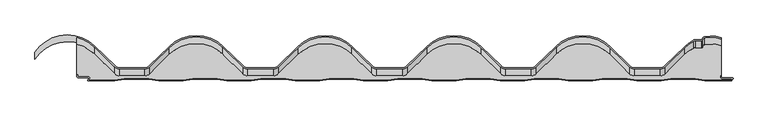
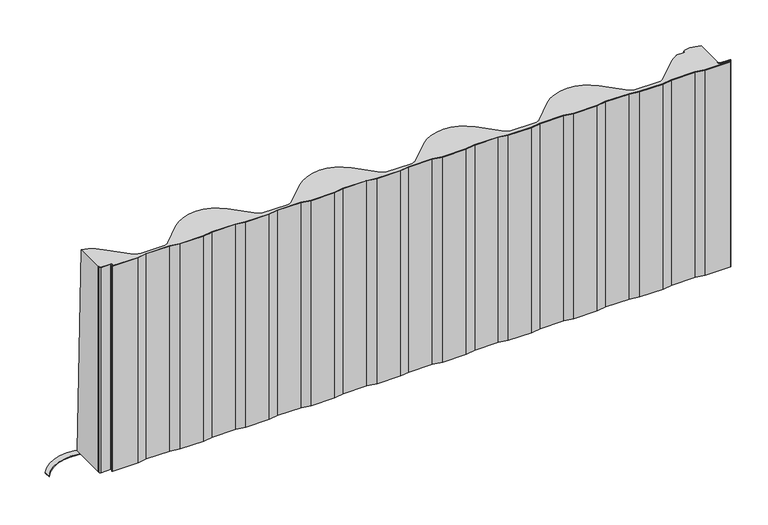
"""IFC4 building model written with IfcOpenShell, lengths in millimetres: proxy geometry."""

from ifc_helpers import new_model, si_unit, point, frame, frame_2d, origin, origin_with_axes, place, context, project, spatial, polyline, circle_curve, trimmed, segment, composite_curve, outline, extrude, source, transform, mapped, element, save
from ifc_brep_helpers import plane_surface, cylinder_surface, revolved_surface, extruded_surface, advanced_brep


def generic_models_27c7e662(model_context):
    return source(origin(), model_context, "Body", "SolidModel", [
        extrude(outline(composite_curve([segment(trimmed(circle_curve(frame_2d((501.3999997, 5.2001721)), 1.3999997), [point((500.0, 5.2001721))], [point((501.3999997, 3.8001723))], True, "CARTESIAN"), True, "CONTINUOUS"), segment(polyline([(501.3999997, 3.8001723), (517.3616429, 3.8001723)]), True, "CONTINUOUS"), segment(trimmed(circle_curve(frame_2d((517.3616429, 2.8001723)), 1.0), [point((517.3616429, 3.8001723))], [point((518.2005258, 2.2558604))], False, "CARTESIAN"), True, "CONTINUOUS"), segment(polyline([(518.2005258, 2.2558604), (516.3836247, -0.5443119)]), True, "CONTINUOUS"), segment(trimmed(circle_curve(frame_2d((515.5447418, 0.0)), 1.0), [point((516.3836247, -0.5443119))], [point((515.5447418, -1.0))], False, "CARTESIAN"), True, "CONTINUOUS"), segment(polyline([(515.5447418, -1.0), (474.735, -1.0), (459.735, 1.5), (421.735, 1.5), (406.735, -1.0), (368.735, -1.0), (353.735, 1.5), (315.735, 1.5), (300.735, -1.0), (262.735, -1.0), (247.735, 1.5), (209.735, 1.5), (194.735, -1.0), (156.735, -1.0), (141.735, 1.5), (103.735, 1.5), (88.735, -1.0), (50.735, -1.0), (35.735, 1.5), (-2.265, 1.5), (-17.265, -1.0), (-55.265, -1.0), (-70.265, 1.5), (-108.265, 1.5), (-123.265, -1.0), (-161.265, -1.0), (-176.265, 1.5), (-214.265, 1.5), (-229.265, -1.0), (-267.265, -1.0), (-282.265, 1.5), (-320.265, 1.5), (-335.265, -1.0), (-373.265, -1.0), (-388.265, 1.5), (-426.265, 1.5), (-441.265, -1.0), (-482.0711352, -1.0)]), True, "CONTINUOUS"), segment(trimmed(circle_curve(frame_2d((-482.0711352, 0.0)), 1.0), [point((-482.0711352, -1.0))], [point((-482.9100181, 0.5443119))], False, "CARTESIAN"), True, "CONTINUOUS"), segment(polyline([(-482.9100181, 0.5443119), (-481.4750477, 2.7558601)]), True, "CONTINUOUS"), segment(trimmed(circle_curve(frame_2d((-482.3139306, 3.3001721)), 1.0), [point((-481.4750477, 2.7558601))], [point((-482.3139306, 4.3001721))], True, "CARTESIAN"), True, "CONTINUOUS"), segment(polyline([(-482.3139306, 4.3001721), (-497.9000007, 4.3001721)]), True, "CONTINUOUS"), segment(trimmed(circle_curve(frame_2d((-497.9000007, 6.4001714)), 2.0999993), [point((-497.9000007, 4.3001721))], [point((-500.0, 6.4001714))], False, "CARTESIAN"), True, "CONTINUOUS"), segment(polyline([(-500.0, 6.4001714), (-500.0, 8.4001722), (-499.0, 8.4001722), (-499.0, 6.4001714)]), True, "CONTINUOUS"), segment(trimmed(circle_curve(frame_2d((-497.9000007, 6.4001714)), 1.0999993), [point((-499.0, 6.4001714))], [point((-497.9000007, 5.3001721))], True, "CARTESIAN"), True, "CONTINUOUS"), segment(polyline([(-497.9000007, 5.3001721), (-482.3139306, 5.3001721)]), True, "CONTINUOUS"), segment(trimmed(circle_curve(frame_2d((-482.3139306, 3.3001721)), 2.0), [point((-482.3139306, 5.3001721))], [point((-480.6361648, 2.2115482))], False, "CARTESIAN"), True, "CONTINUOUS"), segment(polyline([(-480.6361648, 2.2115482), (-482.0711352, 0.0), (-441.3477625, 0.0), (-426.3477625, 2.5), (-388.1822375, 2.5), (-373.1822375, 0.0), (-335.3477625, 0.0), (-320.3477625, 2.5), (-282.1822375, 2.5), (-267.1822375, 0.0), (-229.3477625, 0.0), (-214.3477625, 2.5), (-176.1822375, 2.5), (-161.1822375, 0.0), (-123.3477625, 0.0), (-108.3477625, 2.5), (-70.1822375, 2.5), (-55.1822375, 0.0), (-17.3477625, 0.0), (-2.3477625, 2.5), (35.8177625, 2.5), (50.8177625, 0.0), (88.6522375, 0.0), (103.6522375, 2.5), (141.8177625, 2.5), (156.8177625, 0.0), (194.6522375, 0.0), (209.6522375, 2.5), (247.8177625, 2.5), (262.8177625, 0.0), (300.6522375, 0.0), (315.6522375, 2.5), (353.8177625, 2.5), (368.8177625, 0.0), (406.6522375, 0.0), (421.6522375, 2.5), (459.8177625, 2.5), (474.8177625, 0.0), (515.5447418, 0.0), (517.3616429, 2.8001723), (501.3999997, 2.8001723)]), True, "CONTINUOUS"), segment(trimmed(circle_curve(frame_2d((501.3999997, 5.2001721)), 2.3999997), [point((501.3999997, 2.8001723))], [point((499.0, 5.2001721))], False, "CARTESIAN"), True, "CONTINUOUS"), segment(polyline([(499.0, 5.2001721), (499.0, 7.130172), (500.0, 7.130172), (500.0, 5.2001721)]), True, "CONTINUOUS")], self_intersect=False)), origin_with_axes(), (0.0, 0.0, 1.0), 350.0),
        advanced_brep(
        [(-500.0, 66.6216742, 0.0), (-473.3196047, 51.6257976, 0.0), (-441.4819062, 20.6196004, 0.0), (-433.8073181, 17.5, 0.0), (-394.8301637, 17.5, 0.0), (-387.1555756, 20.6196004, 0.0), (-356.3446944, 50.6257976, 0.0), (-273.3196047, 50.6257976, 0.0), (-242.5087235, 20.6196004, 0.0), (-234.8341354, 17.5, 0.0), (-194.8301637, 17.5, 0.0), (-187.1555756, 20.6196004, 0.0), (-156.3446944, 50.6257976, 0.0), (-73.3196047, 50.6257976, 0.0), (-42.5087235, 20.6196004, 0.0), (-34.8341354, 17.5, 0.0), (5.1698363, 17.5, 0.0), (12.8444244, 20.6196004, 0.0), (43.6553056, 50.6257976, 0.0), (126.6803953, 50.6257976, 0.0), (157.4912765, 20.6196004, 0.0), (165.1658646, 17.5, 0.0), (205.1698363, 17.5, 0.0), (212.8444244, 20.6196004, 0.0), (243.6553056, 50.6257976, 0.0), (326.6803953, 50.6257976, 0.0), (357.4912765, 20.6196004, 0.0), (365.1658646, 17.5, 0.0), (405.1698363, 17.5, 0.0), (412.8444244, 20.6196004, 0.0), (443.6553056, 50.6257976, 0.0), (457.3007883, 60.5706843, 0.0), (459.4083813, 61.0947502, 0.0), (469.4303595, 61.0947502, 0.0), (471.4036061, 62.7687167, 0.0), (474.636081, 66.0524059, 0.0), (499.971358, 63.9460054, 0.0), (499.971358, 7.130172, 0.0), (499.0, 7.130172, 0.0), (499.0, 5.2001721, 0.0), (501.3999997, 2.8001723, 0.0), (517.3616429, 2.8001723, 0.0), (515.5447418, 0.0, 0.0), (497.7323693, 0.0, 0.0), (474.8177625, 0.0, 0.0), (459.8177625, 2.5, 0.0), (421.6522375, 2.5, 0.0), (406.6522375, 0.0, 0.0), (368.8177625, 0.0, 0.0), (353.8177625, 2.5, 0.0), (315.6522375, 2.5, 0.0), (300.6522375, 0.0, 0.0), (262.8177625, 0.0, 0.0), (247.8177625, 2.5, 0.0), (209.6522375, 2.5, 0.0), (194.6522375, 0.0, 0.0), (156.8177625, 0.0, 0.0), (141.8177625, 2.5, 0.0), (103.6522375, 2.5, 0.0), (88.6522375, 0.0, 0.0), (50.8177625, 0.0, 0.0), (35.8177625, 2.5, 0.0), (-2.3477625, 2.5, 0.0), (-17.3477625, 0.0, 0.0), (-55.1822375, 0.0, 0.0), (-70.1822375, 2.5, 0.0), (-108.3477625, 2.5, 0.0), (-123.3477625, 0.0, 0.0), (-161.1822375, 0.0, 0.0), (-176.1822375, 2.5, 0.0), (-214.3477625, 2.5, 0.0), (-229.3477625, 0.0, 0.0), (-267.1822375, 0.0, 0.0), (-282.1822375, 2.5, 0.0), (-320.3477625, 2.5, 0.0), (-335.3477625, 0.0, 0.0), (-373.1822375, 0.0, 0.0), (-388.1822375, 2.5, 0.0), (-426.3477625, 2.5, 0.0), (-441.3477625, 0.0, 0.0), (-482.0711352, 0.0, 0.0), (-480.6361648, 2.2115482, 0.0), (-482.3139306, 5.3001721, 0.0), (-497.9000007, 5.3001721, 0.0), (-499.0, 6.4001714, 0.0), (-499.0, 8.4001722, 0.0), (-500.0, 8.4001722, 0.0), (-500.0, 8.4001722, 350.0), (-500.0, 56.1216742, 350.0), (-499.0, 8.4001722, 350.0), (-499.0, 6.4001714, 350.0), (-497.9000007, 5.3001721, 350.0), (-482.3139306, 5.3001721, 350.0), (-480.6361648, 2.2115482, 350.0), (-482.0711352, 0.0, 350.0), (-441.3477625, 0.0, 350.0), (-426.3477625, 2.5, 350.0), (-388.1822375, 2.5, 350.0), (-373.1822375, 0.0, 350.0), (-335.3477625, 0.0, 350.0), (-320.3477625, 2.5, 350.0), (-282.1822375, 2.5, 350.0), (-267.1822375, 0.0, 350.0), (-229.3477625, 0.0, 350.0), (-214.3477625, 2.5, 350.0), (-176.1822375, 2.5, 350.0), (-161.1822375, 0.0, 350.0), (-123.3477625, 0.0, 350.0), (-108.3477625, 2.5, 350.0), (-70.1822375, 2.5, 350.0), (-55.1822375, 0.0, 350.0), (-17.3477625, 0.0, 350.0), (-2.3477625, 2.5, 350.0), (35.8177625, 2.5, 350.0), (50.8177625, 0.0, 350.0), (88.6522375, 0.0, 350.0), (103.6522375, 2.5, 350.0), (43.6553056, 40.1257976, 350.0), (126.6803953, 40.1257976, 350.0), (12.8444244, 10.1196004, 350.0), (5.1698363, 7.0, 350.0), (-34.8341354, 7.0, 350.0), (-42.5087235, 10.1196004, 350.0), (-73.3196047, 40.1257976, 350.0), (-156.3446944, 40.1257976, 350.0), (-187.1555756, 10.1196004, 350.0), (-194.8301637, 7.0, 350.0), (-234.8341354, 7.0, 350.0), (-242.5087235, 10.1196004, 350.0), (-273.3196047, 40.1257976, 350.0), (-356.3446944, 40.1257976, 350.0), (-387.1555756, 10.1196004, 350.0), (-394.8301637, 7.0, 350.0), (-433.8073181, 7.0, 350.0), (-441.4819062, 10.1196004, 350.0), (-473.3196047, 41.1257976, 350.0), (141.8177625, 2.5, 350.0), (156.8177625, 0.0, 350.0), (194.6522375, 0.0, 350.0), (209.6522375, 2.5, 350.0), (247.8177625, 2.5, 350.0), (262.8177625, 0.0, 350.0), (300.6522375, 0.0, 350.0), (315.6522375, 2.5, 350.0), (353.8177625, 2.5, 350.0), (368.8177625, 0.0, 350.0), (406.6522375, 0.0, 350.0), (421.6522375, 2.5, 350.0), (459.8177625, 2.5, 350.0), (474.8177625, 0.0, 350.0), (497.7323693, 0.0, 350.0), (515.5447418, 0.0, 350.0), (517.3616429, 2.8001723, 350.0), (501.3999997, 2.8001723, 350.0), (499.0, 5.2001721, 350.0), (499.0, 7.130172, 350.0), (499.971358, 7.130172, 350.0), (499.971358, 53.4460054, 350.0), (474.636081, 55.5524059, 350.0), (471.4036061, 52.2687167, 350.0), (469.4303595, 50.5947502, 350.0), (459.4083813, 50.5947502, 350.0), (457.3007883, 50.0706843, 350.0), (443.6553056, 40.1257976, 350.0), (412.8444244, 10.1196004, 350.0), (405.1698363, 7.0, 350.0), (365.1658646, 7.0, 350.0), (357.4912765, 10.1196004, 350.0), (326.6803953, 40.1257976, 350.0), (243.6553056, 40.1257976, 350.0), (212.8444244, 10.1196004, 350.0), (205.1698363, 7.0, 350.0), (165.1658646, 7.0, 350.0), (157.4912765, 10.1196004, 350.0)],
        [
            (0, 1, circle_curve(frame((-514.8321495, 9.0, 0.0), z_axis=(0.0, 0.0, -1.0), x_axis=(1.0, 0.0, 0.0)), 59.5)),
            (1, 2),
            (2, 3, circle_curve(frame((-433.8073181, 28.5, 0.0), z_axis=(0.0, 0.0, 1.0), x_axis=(1.0, 0.0, 0.0)), 11.0)),
            (3, 4),
            (4, 5, circle_curve(frame((-394.8301637, 28.5, 0.0), z_axis=(0.0, 0.0, 1.0), x_axis=(1.0, 0.0, 0.0)), 11.0)),
            (5, 6),
            (6, 7, circle_curve(frame((-314.8321495, 8.0, 0.0), z_axis=(0.0, 0.0, -1.0), x_axis=(1.0, 0.0, 0.0)), 59.5)),
            (7, 8),
            (8, 9, circle_curve(frame((-234.8341354, 28.5, 0.0), z_axis=(0.0, 0.0, 1.0), x_axis=(1.0, 0.0, 0.0)), 11.0)),
            (9, 10),
            (10, 11, circle_curve(frame((-194.8301637, 28.5, 0.0), z_axis=(0.0, 0.0, 1.0), x_axis=(1.0, 0.0, 0.0)), 11.0)),
            (11, 12),
            (12, 13, circle_curve(frame((-114.8321495, 8.0, 0.0), z_axis=(0.0, 0.0, -1.0), x_axis=(1.0, 0.0, 0.0)), 59.5)),
            (13, 14),
            (14, 15, circle_curve(frame((-34.8341354, 28.5, 0.0), z_axis=(0.0, 0.0, 1.0), x_axis=(1.0, 0.0, 0.0)), 11.0)),
            (15, 16),
            (16, 17, circle_curve(frame((5.1698363, 28.5, 0.0), z_axis=(0.0, 0.0, 1.0), x_axis=(1.0, 0.0, 0.0)), 11.0)),
            (17, 18),
            (18, 19, circle_curve(frame((85.1678505, 8.0, 0.0), z_axis=(0.0, 0.0, -1.0), x_axis=(1.0, 0.0, 0.0)), 59.5)),
            (19, 20),
            (20, 21, circle_curve(frame((165.1658646, 28.5, 0.0), z_axis=(0.0, 0.0, 1.0), x_axis=(1.0, 0.0, 0.0)), 11.0)),
            (21, 22),
            (22, 23, circle_curve(frame((205.1698363, 28.5, 0.0), z_axis=(0.0, 0.0, 1.0), x_axis=(1.0, 0.0, 0.0)), 11.0)),
            (23, 24),
            (24, 25, circle_curve(frame((285.1678505, 8.0, 0.0), z_axis=(0.0, 0.0, -1.0), x_axis=(1.0, 0.0, 0.0)), 59.5)),
            (25, 26),
            (26, 27, circle_curve(frame((365.1658646, 28.5, 0.0), z_axis=(0.0, 0.0, 1.0), x_axis=(1.0, 0.0, 0.0)), 11.0)),
            (27, 28),
            (28, 29, circle_curve(frame((405.1698363, 28.5, 0.0), z_axis=(0.0, 0.0, 1.0), x_axis=(1.0, 0.0, 0.0)), 11.0)),
            (29, 30),
            (30, 31, circle_curve(frame((485.1678505, 8.0, 0.0), z_axis=(0.0, 0.0, -1.0), x_axis=(1.0, 0.0, 0.0)), 59.5)),
            (31, 32, circle_curve(frame((459.4083813, 56.5947502, 0.0), z_axis=(0.0, 0.0, -1.0), x_axis=(1.0, 0.0, 0.0)), 4.5)),
            (32, 33),
            (33, 34, circle_curve(frame((469.4303595, 63.0947502, 0.0), z_axis=(0.0, 0.0, 1.0), x_axis=(1.0, 0.0, 0.0)), 2.0)),
            (34, 35, circle_curve(frame((475.3500993, 62.1166496, 0.0), z_axis=(0.0, 0.0, -1.0), x_axis=(1.0, 0.0, 0.0)), 4.0)),
            (35, 36, circle_curve(frame((483.3828048, 17.8393908, 0.0), z_axis=(0.0, 0.0, -1.0), x_axis=(1.0, 0.0, 0.0)), 49.0)),
            (36, 37),
            (37, 38),
            (38, 39),
            (39, 40, circle_curve(frame((501.3999997, 5.2001721, 0.0), z_axis=(0.0, 0.0, 1.0), x_axis=(-1.0, 0.0, 0.0)), 2.3999997)),
            (40, 41),
            (41, 42),
            (42, 43),
            (43, 44),
            (44, 45),
            (45, 46),
            (46, 47),
            (47, 48),
            (48, 49),
            (49, 50),
            (50, 51),
            (51, 52),
            (52, 53),
            (53, 54),
            (54, 55),
            (55, 56),
            (56, 57),
            (57, 58),
            (58, 59),
            (59, 60),
            (60, 61),
            (61, 62),
            (62, 63),
            (63, 64),
            (64, 65),
            (65, 66),
            (66, 67),
            (67, 68),
            (68, 69),
            (69, 70),
            (70, 71),
            (71, 72),
            (72, 73),
            (73, 74),
            (74, 75),
            (75, 76),
            (76, 77),
            (77, 78),
            (78, 79),
            (79, 80),
            (80, 81),
            (81, 82, circle_curve(frame((-482.3139306, 3.3001721, 0.0), z_axis=(0.0, 0.0, 1.0), x_axis=(1.0, 3.998762942509836e-12, 0.0)), 2.0)),
            (82, 83),
            (83, 84, circle_curve(frame((-497.9000007, 6.4001714, 0.0), z_axis=(0.0, 0.0, -1.0), x_axis=(0.0, -1.0, 0.0)), 1.0999993)),
            (84, 85),
            (85, 86),
            (86, 0),
            (86, 87),
            (87, 88),
            (88, 0),
            (85, 89),
            (89, 87),
            (84, 90),
            (90, 89),
            (83, 91),
            (91, 90, circle_curve(frame((-497.9000007, 6.4001714, 350.0), z_axis=(0.0, 0.0, -1.0), x_axis=(0.0, -1.0, 0.0)), 1.0999993)),
            (82, 92),
            (92, 91),
            (81, 93),
            (93, 92, circle_curve(frame((-482.3139306, 3.3001721, 350.0), z_axis=(0.0, 0.0, 1.0), x_axis=(1.0, 3.998762942509836e-12, 0.0)), 2.0)),
            (80, 94),
            (94, 93),
            (79, 95),
            (95, 94),
            (78, 96),
            (96, 95),
            (77, 97),
            (97, 96),
            (76, 98),
            (98, 97),
            (75, 99),
            (99, 98),
            (74, 100),
            (100, 99),
            (73, 101),
            (101, 100),
            (72, 102),
            (102, 101),
            (71, 103),
            (103, 102),
            (70, 104),
            (104, 103),
            (69, 105),
            (105, 104),
            (68, 106),
            (106, 105),
            (67, 107),
            (107, 106),
            (66, 108),
            (108, 107),
            (65, 109),
            (109, 108),
            (64, 110),
            (110, 109),
            (63, 111),
            (111, 110),
            (62, 112),
            (112, 111),
            (61, 113),
            (113, 112),
            (60, 114),
            (114, 113),
            (59, 115),
            (115, 114),
            (58, 116),
            (116, 115),
            (18, 117),
            (117, 118, circle_curve(frame((85.1678505, -2.5, 350.0), z_axis=(0.0, 0.0, -1.0), x_axis=(1.0, 0.0, 0.0)), 59.5)),
            (118, 19),
            (17, 119),
            (119, 117),
            (16, 120),
            (120, 119, circle_curve(frame((5.1698363, 18.0, 350.0), z_axis=(0.0, 0.0, 1.0), x_axis=(1.0, 0.0, 0.0)), 11.0)),
            (15, 121),
            (121, 120),
            (14, 122),
            (122, 121, circle_curve(frame((-34.8341354, 18.0, 350.0), z_axis=(0.0, 0.0, 1.0), x_axis=(1.0, 0.0, 0.0)), 11.0)),
            (13, 123),
            (123, 122),
            (12, 124),
            (124, 123, circle_curve(frame((-114.8321495, -2.5, 350.0), z_axis=(0.0, 0.0, -1.0), x_axis=(1.0, 0.0, 0.0)), 59.5)),
            (11, 125),
            (125, 124),
            (10, 126),
            (126, 125, circle_curve(frame((-194.8301637, 18.0, 350.0), z_axis=(0.0, 0.0, 1.0), x_axis=(1.0, 0.0, 0.0)), 11.0)),
            (9, 127),
            (127, 126),
            (8, 128),
            (128, 127, circle_curve(frame((-234.8341354, 18.0, 350.0), z_axis=(0.0, 0.0, 1.0), x_axis=(1.0, 0.0, 0.0)), 11.0)),
            (7, 129),
            (129, 128),
            (6, 130),
            (130, 129, circle_curve(frame((-314.8321495, -2.5, 350.0), z_axis=(0.0, 0.0, -1.0), x_axis=(1.0, 0.0, 0.0)), 59.5)),
            (5, 131),
            (131, 130),
            (4, 132),
            (132, 131, circle_curve(frame((-394.8301637, 18.0, 350.0), z_axis=(0.0, 0.0, 1.0), x_axis=(1.0, 0.0, 0.0)), 11.0)),
            (3, 133),
            (133, 132),
            (2, 134),
            (134, 133, circle_curve(frame((-433.8073181, 18.0, 350.0), z_axis=(0.0, 0.0, 1.0), x_axis=(1.0, 0.0, 0.0)), 11.0)),
            (1, 135),
            (135, 134),
            (88, 135, circle_curve(frame((-514.8321495, -1.5, 350.0), z_axis=(0.0, 0.0, -1.0), x_axis=(1.0, 0.0, 0.0)), 59.5)),
            (116, 136),
            (136, 137),
            (137, 138),
            (138, 139),
            (139, 140),
            (140, 141),
            (141, 142),
            (142, 143),
            (143, 144),
            (144, 145),
            (145, 146),
            (146, 147),
            (147, 148),
            (148, 149),
            (149, 150),
            (150, 151),
            (151, 152),
            (152, 153),
            (153, 154, circle_curve(frame((501.3999997, 5.2001721, 350.0), z_axis=(0.0, 0.0, -1.0), x_axis=(-1.0, 0.0, 0.0)), 2.3999997)),
            (154, 155),
            (155, 156),
            (156, 157),
            (157, 158, circle_curve(frame((483.3828048, 7.3393908, 350.0), z_axis=(0.0, 0.0, 1.0), x_axis=(1.0, 0.0, 0.0)), 49.0)),
            (158, 159, circle_curve(frame((475.3500993, 51.6166496, 350.0), z_axis=(0.0, 0.0, 1.0), x_axis=(1.0, 0.0, 0.0)), 4.0)),
            (159, 160, circle_curve(frame((469.4303595, 52.5947502, 350.0), z_axis=(0.0, 0.0, -1.0), x_axis=(1.0, 0.0, 0.0)), 2.0)),
            (160, 161),
            (161, 162, circle_curve(frame((459.4083813, 46.0947502, 350.0), z_axis=(0.0, 0.0, 1.0), x_axis=(1.0, 0.0, 0.0)), 4.5)),
            (162, 163, circle_curve(frame((485.1678505, -2.5, 350.0), z_axis=(0.0, 0.0, 1.0), x_axis=(1.0, 0.0, 0.0)), 59.5)),
            (163, 164),
            (164, 165, circle_curve(frame((405.1698363, 18.0, 350.0), z_axis=(0.0, 0.0, -1.0), x_axis=(1.0, 0.0, 0.0)), 11.0)),
            (165, 166),
            (166, 167, circle_curve(frame((365.1658646, 18.0, 350.0), z_axis=(0.0, 0.0, -1.0), x_axis=(1.0, 0.0, 0.0)), 11.0)),
            (167, 168),
            (168, 169, circle_curve(frame((285.1678505, -2.5, 350.0), z_axis=(0.0, 0.0, 1.0), x_axis=(1.0, 0.0, 0.0)), 59.5)),
            (169, 170),
            (170, 171, circle_curve(frame((205.1698363, 18.0, 350.0), z_axis=(0.0, 0.0, -1.0), x_axis=(1.0, 0.0, 0.0)), 11.0)),
            (171, 172),
            (172, 173, circle_curve(frame((165.1658646, 18.0, 350.0), z_axis=(0.0, 0.0, -1.0), x_axis=(1.0, 0.0, 0.0)), 11.0)),
            (173, 118),
            (36, 157),
            (156, 37),
            (57, 136),
            (56, 137),
            (55, 138),
            (54, 139),
            (53, 140),
            (52, 141),
            (51, 142),
            (50, 143),
            (49, 144),
            (48, 145),
            (47, 146),
            (46, 147),
            (45, 148),
            (44, 149),
            (43, 150),
            (42, 151),
            (41, 152),
            (40, 153),
            (39, 154),
            (38, 155),
            (35, 158),
            (34, 159),
            (33, 160),
            (32, 161),
            (31, 162),
            (30, 163),
            (29, 164),
            (28, 165),
            (27, 166),
            (26, 167),
            (25, 168),
            (24, 169),
            (23, 170),
            (22, 171),
            (21, 172),
            (20, 173),
        ],
        [
            plane_surface(frame((29.6642368, 16.51352, 0.0), z_axis=(0.0, 0.0, -1.0), x_axis=(0.0, 1.0, 0.0))),
            plane_surface(frame((-500.0, 37.5109232, 0.0), z_axis=(-1.0, 0.0, 0.0), x_axis=(0.0, -1.0, 0.0))),
            plane_surface(frame((-499.5, 8.4001722, 0.0), z_axis=(0.0, -1.0, 0.0), x_axis=(1.0, 0.0, 0.0))),
            plane_surface(frame((-499.0, 7.4001718, 0.0), z_axis=(-1.0, 0.0, 0.0), x_axis=(0.0, -1.0, 0.0))),
            cylinder_surface(frame((-497.9000007, 6.4001714, 0.0), z_axis=(0.0, 0.0, 1.0), x_axis=(0.0, -1.0, 0.0)), 1.0999993),
            plane_surface(frame((-490.1069656, 5.3001721, 0.0), z_axis=(0.0, -1.0, 0.0), x_axis=(1.0, 0.0, 0.0))),
            revolved_surface(polyline([(-480.3139306, 3.3001721000079978, 350.0), (-480.3139306, 3.3001721000079978, 0.0)]), (-482.3139306, 3.3001721, 0.0), (0.0, 0.0, 1.0)),
            plane_surface(frame((-481.35365, 1.1057741, 0.0), z_axis=(-0.8388828900586107, 0.5443119480288054, 0.0), x_axis=(-0.5443119480288054, -0.8388828900586107, 0.0))),
            plane_surface(frame((-461.7094489, 0.0, 0.0), z_axis=(0.0, -1.0, 0.0), x_axis=(1.0, 0.0, 0.0))),
            plane_surface(frame((-433.8477625, 1.25, 0.0), z_axis=(0.16439898730535946, -0.9863939238321434, 0.0), x_axis=(0.9863939238321434, 0.16439898730535946, 0.0))),
            plane_surface(frame((-407.265, 2.5, 0.0), z_axis=(0.0, -1.0, 0.0), x_axis=(1.0, 0.0, 0.0))),
            plane_surface(frame((-380.6822375, 1.25, 0.0), z_axis=(-0.16439898730535946, -0.9863939238321434, 0.0), x_axis=(0.9863939238321434, -0.16439898730535946, 0.0))),
            plane_surface(frame((-354.265, 0.0, 0.0), z_axis=(0.0, -1.0, 0.0), x_axis=(1.0, 0.0, 0.0))),
            plane_surface(frame((-327.8477625, 1.25, 0.0), z_axis=(0.16439898730535946, -0.9863939238321434, 0.0), x_axis=(0.9863939238321434, 0.16439898730535946, 0.0))),
            plane_surface(frame((-301.265, 2.5, 0.0), z_axis=(0.0, -1.0, 0.0), x_axis=(1.0, 0.0, 0.0))),
            plane_surface(frame((-274.6822375, 1.25, 0.0), z_axis=(-0.1643989873053537, -0.9863939238321443, 0.0), x_axis=(0.9863939238321443, -0.1643989873053537, 0.0))),
            plane_surface(frame((-248.265, 0.0, 0.0), z_axis=(0.0, -1.0, 0.0), x_axis=(1.0, 0.0, 0.0))),
            plane_surface(frame((-221.8477625, 1.25, 0.0), z_axis=(0.16439898730535946, -0.9863939238321434, 0.0), x_axis=(0.9863939238321434, 0.16439898730535946, 0.0))),
            plane_surface(frame((-195.265, 2.5, 0.0), z_axis=(0.0, -1.0, 0.0), x_axis=(1.0, 0.0, 0.0))),
            plane_surface(frame((-168.6822375, 1.25, 0.0), z_axis=(-0.16439898730535946, -0.9863939238321434, 0.0), x_axis=(0.9863939238321434, -0.16439898730535946, 0.0))),
            plane_surface(frame((-142.265, 0.0, 0.0), z_axis=(0.0, -1.0, 0.0), x_axis=(1.0, 0.0, 0.0))),
            plane_surface(frame((-115.8477625, 1.25, 0.0), z_axis=(0.16439898730535948, -0.9863939238321434, 0.0), x_axis=(0.9863939238321434, 0.16439898730535948, 0.0))),
            plane_surface(frame((-89.265, 2.5, 0.0), z_axis=(0.0, -1.0, 0.0), x_axis=(1.0, 0.0, 0.0))),
            plane_surface(frame((-62.6822375, 1.25, 0.0), z_axis=(-0.16439898730535366, -0.9863939238321443, 0.0), x_axis=(0.9863939238321443, -0.16439898730535366, 0.0))),
            plane_surface(frame((-36.265, 0.0, 0.0), z_axis=(0.0, -1.0, 0.0), x_axis=(1.0, 0.0, 0.0))),
            plane_surface(frame((-9.8477625, 1.25, 0.0), z_axis=(0.16439898730535948, -0.9863939238321434, 0.0), x_axis=(0.9863939238321434, 0.16439898730535948, 0.0))),
            plane_surface(frame((16.735, 2.5, 0.0), z_axis=(0.0, -1.0, 0.0), x_axis=(1.0, 0.0, 0.0))),
            plane_surface(frame((43.3177625, 1.25, 0.0), z_axis=(-0.16439898730535946, -0.9863939238321434, 0.0), x_axis=(0.9863939238321434, -0.16439898730535946, 0.0))),
            plane_surface(frame((69.735, 0.0, 0.0), z_axis=(0.0, -1.0, 0.0), x_axis=(1.0, 0.0, 0.0))),
            plane_surface(frame((96.1522375, 1.25, 0.0), z_axis=(0.16439898730535948, -0.9863939238321434, 0.0), x_axis=(0.9863939238321434, 0.16439898730535948, 0.0))),
            extruded_surface(trimmed(circle_curve(frame((85.1678505, 8.0, 0.0), z_axis=(0.0, 0.0, 1.0), x_axis=(1.0, 0.0, 0.0)), 59.5), [point((126.6803953, 50.6257976, 0.0))], [point((43.6553056, 50.6257976, 0.0))], True, "CARTESIAN"), (0.0, -10.5, 350.0), 350.1574645784379),
            plane_surface(frame((28.249865, 35.622699, 0.0), z_axis=(-0.697528750955847, 0.7162345627209175, 0.021487036881626002), x_axis=(-0.7163999601490862, -0.6976898287193155, 0.0))),
            extruded_surface(trimmed(circle_curve(frame((5.1698363, 28.5, 0.0), z_axis=(0.0, 0.0, -1.0), x_axis=(1.0, 0.0, 0.0)), 11.0), [point((12.8444244, 20.6196004, 0.0))], [point((5.1698363, 17.5, 0.0))], True, "CARTESIAN"), (0.0, -10.5, 350.0), 350.1574645784379),
            plane_surface(frame((-14.8321495, 17.5, 0.0), z_axis=(0.0, 0.9995503035223665, 0.029986509105683012), x_axis=(-1.0, 0.0, 0.0))),
            extruded_surface(trimmed(circle_curve(frame((-34.8341354, 28.5, 0.0), z_axis=(0.0, 0.0, -1.0), x_axis=(1.0, 0.0, 0.0)), 11.0), [point((-34.8341354, 17.5, 0.0))], [point((-42.5087235, 20.6196004, 0.0))], True, "CARTESIAN"), (0.0, -10.5, 350.0), 350.1574645784379),
            plane_surface(frame((-57.9141641, 35.622699, 0.0), z_axis=(0.6975287509556769, 0.7162345627210827, 0.021487036881636883), x_axis=(-0.7163999601492517, 0.6976898287191455, 0.0))),
            extruded_surface(trimmed(circle_curve(frame((-114.8321495, 8.0, 0.0), z_axis=(0.0, 0.0, 1.0), x_axis=(1.0, 0.0, 0.0)), 59.5), [point((-73.3196047, 50.6257976, 0.0))], [point((-156.3446944, 50.6257976, 0.0))], True, "CARTESIAN"), (0.0, -10.5, 350.0), 350.1574645784379),
            plane_surface(frame((-171.750135, 35.622699, 0.0), z_axis=(-0.6975287509558471, 0.7162345627209172, 0.021487036881625905), x_axis=(-0.716399960149086, -0.6976898287193156, 0.0))),
            extruded_surface(trimmed(circle_curve(frame((-194.8301637, 28.5, 0.0), z_axis=(0.0, 0.0, -1.0), x_axis=(1.0, 0.0, 0.0)), 11.0), [point((-187.1555756, 20.6196004, 0.0))], [point((-194.8301637, 17.5, 0.0))], True, "CARTESIAN"), (0.0, -10.5, 350.0), 350.1574645784379),
            plane_surface(frame((-214.8321495, 17.5, 0.0), z_axis=(0.0, 0.9995503035223665, 0.029986509105683012), x_axis=(-1.0, 0.0, 0.0))),
            extruded_surface(trimmed(circle_curve(frame((-234.8341354, 28.5, 0.0), z_axis=(0.0, 0.0, -1.0), x_axis=(1.0, 0.0, 0.0)), 11.0), [point((-234.8341354, 17.5, 0.0))], [point((-242.5087235, 20.6196004, 0.0))], True, "CARTESIAN"), (0.0, -10.5, 350.0), 350.1574645784379),
            plane_surface(frame((-257.9141641, 35.622699, 0.0), z_axis=(0.6975287509556767, 0.7162345627210829, 0.02148703688163686), x_axis=(-0.7163999601492519, 0.6976898287191453, 0.0))),
            extruded_surface(trimmed(circle_curve(frame((-314.8321495, 8.0, 0.0), z_axis=(0.0, 0.0, 1.0), x_axis=(1.0, 0.0, 0.0)), 59.5), [point((-273.3196047, 50.6257976, 0.0))], [point((-356.3446944, 50.6257976, 0.0))], True, "CARTESIAN"), (0.0, -10.5, 350.0), 350.1574645784379),
            plane_surface(frame((-371.750135, 35.622699, 0.0), z_axis=(-0.6975287509558474, 0.716234562720917, 0.0214870368816261), x_axis=(-0.7163999601490858, -0.697689828719316, 0.0))),
            extruded_surface(trimmed(circle_curve(frame((-394.8301637, 28.5, 0.0), z_axis=(0.0, 0.0, -1.0), x_axis=(1.0, 0.0, 0.0)), 11.0), [point((-387.1555756, 20.6196004, 0.0))], [point((-394.8301637, 17.5, 0.0))], True, "CARTESIAN"), (0.0, -10.5, 350.0), 350.1574645784379),
            plane_surface(frame((-414.3187409, 17.5, 0.0), z_axis=(0.0, 0.9995503035223665, 0.029986509105683012), x_axis=(-1.0, 0.0, 0.0))),
            extruded_surface(trimmed(circle_curve(frame((-433.8073181, 28.5, 0.0), z_axis=(0.0, 0.0, -1.0), x_axis=(1.0, 0.0, 0.0)), 11.0), [point((-433.8073181, 17.5, 0.0))], [point((-441.4819062, 20.6196004, 0.0))], True, "CARTESIAN"), (0.0, -10.5, 350.0), 350.1574645784379),
            plane_surface(frame((-457.4007555, 36.122699, 0.0), z_axis=(0.6975287509556769, 0.7162345627210829, 0.021487036881634645), x_axis=(-0.7163999601492518, 0.6976898287191454, 0.0))),
            extruded_surface(trimmed(circle_curve(frame((-514.8321495, 9.0, 0.0), z_axis=(0.0, 0.0, 1.0), x_axis=(1.0, 0.0, 0.0)), 59.5), [point((-473.3196047, 51.6257976, 0.0))], [point((-500.0, 66.6216742, 0.0))], True, "CARTESIAN"), (0.0, -10.5, 350.0), 350.1574645784379),
            plane_surface(frame((29.6642368, 12.0480027, 350.0), z_axis=(0.0, 0.0, 1.0), x_axis=(0.0, 1.0, 0.0))),
            plane_surface(frame((499.971358, 35.5380887, 0.0), z_axis=(1.0, 0.0, 0.0), x_axis=(0.0, 1.0, 0.0))),
            plane_surface(frame((122.735, 2.5, 0.0), z_axis=(0.0, -1.0, 0.0), x_axis=(1.0, 0.0, 0.0))),
            plane_surface(frame((149.3177625, 1.25, 0.0), z_axis=(-0.16439898730535366, -0.9863939238321443, 0.0), x_axis=(0.9863939238321443, -0.16439898730535366, 0.0))),
            plane_surface(frame((175.735, 0.0, 0.0), z_axis=(0.0, -1.0, 0.0), x_axis=(1.0, 0.0, 0.0))),
            plane_surface(frame((202.1522375, 1.25, 0.0), z_axis=(0.16439898730535946, -0.9863939238321434, 0.0), x_axis=(0.9863939238321434, 0.16439898730535946, 0.0))),
            plane_surface(frame((228.735, 2.5, 0.0), z_axis=(0.0, -1.0, 0.0), x_axis=(1.0, 0.0, 0.0))),
            plane_surface(frame((255.3177625, 1.25, 0.0), z_axis=(-0.16439898730535946, -0.9863939238321434, 0.0), x_axis=(0.9863939238321434, -0.16439898730535946, 0.0))),
            plane_surface(frame((281.735, 0.0, 0.0), z_axis=(0.0, -1.0, 0.0), x_axis=(1.0, 0.0, 0.0))),
            plane_surface(frame((308.1522375, 1.25, 0.0), z_axis=(0.16439898730535946, -0.9863939238321434, 0.0), x_axis=(0.9863939238321434, 0.16439898730535946, 0.0))),
            plane_surface(frame((334.735, 2.5, 0.0), z_axis=(0.0, -1.0, 0.0), x_axis=(1.0, 0.0, 0.0))),
            plane_surface(frame((361.3177625, 1.25, 0.0), z_axis=(-0.16439898730535366, -0.9863939238321443, 0.0), x_axis=(0.9863939238321443, -0.16439898730535366, 0.0))),
            plane_surface(frame((387.735, 0.0, 0.0), z_axis=(0.0, -1.0, 0.0), x_axis=(1.0, 0.0, 0.0))),
            plane_surface(frame((414.1522375, 1.25, 0.0), z_axis=(0.16439898730535946, -0.9863939238321434, 0.0), x_axis=(0.9863939238321434, 0.16439898730535946, 0.0))),
            plane_surface(frame((440.735, 2.5, 0.0), z_axis=(0.0, -1.0, 0.0), x_axis=(1.0, 0.0, 0.0))),
            plane_surface(frame((467.3177625, 1.25, 0.0), z_axis=(-0.16439898730535946, -0.9863939238321434, 0.0), x_axis=(0.9863939238321434, -0.16439898730535946, 0.0))),
            plane_surface(frame((486.2750659, 0.0, 0.0), z_axis=(0.0, -1.0, 0.0), x_axis=(1.0, 0.0, 0.0))),
            plane_surface(frame((506.6385555, 0.0, 0.0), z_axis=(0.0, -1.0, 0.0), x_axis=(1.0, 0.0, 0.0))),
            plane_surface(frame((516.4531924, 1.4000862, 0.0), z_axis=(0.8388828900578932, -0.5443119480299111, 0.0), x_axis=(0.5443119480299111, 0.8388828900578932, 0.0))),
            plane_surface(frame((509.3808213, 2.8001723, 0.0), z_axis=(0.0, 1.0, 0.0), x_axis=(-1.0, 0.0, 0.0))),
            revolved_surface(polyline([(499.0, 5.2001721, 350.0), (499.0, 5.2001721, 0.0)]), (501.3999997, 5.2001721, 0.0), (0.0, 0.0, 1.0)),
            plane_surface(frame((499.0, 6.165172, 0.0), z_axis=(1.0, 0.0, 0.0), x_axis=(0.0, 1.0, 0.0))),
            plane_surface(frame((499.485679, 7.130172, 0.0), z_axis=(0.0, -1.0, 0.0), x_axis=(1.0, 0.0, 0.0))),
            extruded_surface(trimmed(circle_curve(frame((483.3828048, 17.8393908, 0.0), z_axis=(0.0, 0.0, 1.0), x_axis=(1.0, 0.0, 0.0)), 49.0), [point((499.971358, 63.9460054, 0.0))], [point((474.636081, 66.0524059, 0.0))], True, "CARTESIAN"), (0.0, -10.5, 350.0), 350.1574645784379),
            extruded_surface(trimmed(circle_curve(frame((475.3500993, 62.1166496, 0.0), z_axis=(0.0, 0.0, 1.0), x_axis=(1.0, 0.0, 0.0)), 4.0), [point((474.636081, 66.0524059, 0.0))], [point((471.4036061, 62.7687167, 0.0))], True, "CARTESIAN"), (0.0, -10.5, 350.0), 350.1574645784379),
            extruded_surface(trimmed(circle_curve(frame((469.4303595, 63.0947502, 0.0), z_axis=(0.0, 0.0, -1.0), x_axis=(1.0, 0.0, 0.0)), 2.0), [point((471.4036061, 62.7687167, 0.0))], [point((469.4303595, 61.0947502, 0.0))], True, "CARTESIAN"), (0.0, -10.5, 350.0), 350.1574645784379),
            plane_surface(frame((464.4193704, 61.0947502, 0.0), z_axis=(0.0, 0.9995503035223671, 0.02998650910566225), x_axis=(-1.0, 0.0, 0.0))),
            extruded_surface(trimmed(circle_curve(frame((459.4083813, 56.5947502, 0.0), z_axis=(0.0, 0.0, 1.0), x_axis=(1.0, 0.0, 0.0)), 4.5), [point((459.4083813, 61.0947502, 0.0))], [point((457.3007883, 60.5706843, 0.0))], True, "CARTESIAN"), (0.0, -10.5, 350.0), 350.1574645784379),
            extruded_surface(trimmed(circle_curve(frame((485.1678505, 8.0, 0.0), z_axis=(0.0, 0.0, 1.0), x_axis=(1.0, 0.0, 0.0)), 59.5), [point((457.3007883, 60.5706843, 0.0))], [point((443.6553056, 50.6257976, 0.0))], True, "CARTESIAN"), (0.0, -10.5, 350.0), 350.1574645784379),
            plane_surface(frame((428.249865, 35.622699, 0.0), z_axis=(-0.6975287509558462, 0.7162345627209181, 0.02148703688162598), x_axis=(-0.7163999601490869, -0.6976898287193147, 0.0))),
            extruded_surface(trimmed(circle_curve(frame((405.1698363, 28.5, 0.0), z_axis=(0.0, 0.0, -1.0), x_axis=(1.0, 0.0, 0.0)), 11.0), [point((412.8444244, 20.6196004, 0.0))], [point((405.1698363, 17.5, 0.0))], True, "CARTESIAN"), (0.0, -10.5, 350.0), 350.1574645784379),
            plane_surface(frame((385.1678505, 17.5, 0.0), z_axis=(0.0, 0.9995503035223665, 0.029986509105683012), x_axis=(-1.0, 0.0, 0.0))),
            extruded_surface(trimmed(circle_curve(frame((365.1658646, 28.5, 0.0), z_axis=(0.0, 0.0, -1.0), x_axis=(1.0, 0.0, 0.0)), 11.0), [point((365.1658646, 17.5, 0.0))], [point((357.4912765, 20.6196004, 0.0))], True, "CARTESIAN"), (0.0, -10.5, 350.0), 350.1574645784379),
            plane_surface(frame((342.0858359, 35.622699, 0.0), z_axis=(0.6975287509556769, 0.7162345627210828, 0.021487036881636303), x_axis=(-0.7163999601492518, 0.6976898287191455, 0.0))),
            extruded_surface(trimmed(circle_curve(frame((285.1678505, 8.0, 0.0), z_axis=(0.0, 0.0, 1.0), x_axis=(1.0, 0.0, 0.0)), 59.5), [point((326.6803953, 50.6257976, 0.0))], [point((243.6553056, 50.6257976, 0.0))], True, "CARTESIAN"), (0.0, -10.5, 350.0), 350.1574645784379),
            plane_surface(frame((228.249865, 35.622699, 0.0), z_axis=(-0.697528750955847, 0.7162345627209173, 0.0214870368816259), x_axis=(-0.7163999601490861, -0.6976898287193155, 0.0))),
            extruded_surface(trimmed(circle_curve(frame((205.1698363, 28.5, 0.0), z_axis=(0.0, 0.0, -1.0), x_axis=(1.0, 0.0, 0.0)), 11.0), [point((212.8444244, 20.6196004, 0.0))], [point((205.1698363, 17.5, 0.0))], True, "CARTESIAN"), (0.0, -10.5, 350.0), 350.1574645784379),
            plane_surface(frame((185.1678505, 17.5, 0.0), z_axis=(0.0, 0.9995503035223665, 0.029986509105683012), x_axis=(-1.0, 0.0, 0.0))),
            extruded_surface(trimmed(circle_curve(frame((165.1658646, 28.5, 0.0), z_axis=(0.0, 0.0, -1.0), x_axis=(1.0, 0.0, 0.0)), 11.0), [point((165.1658646, 17.5, 0.0))], [point((157.4912765, 20.6196004, 0.0))], True, "CARTESIAN"), (0.0, -10.5, 350.0), 350.1574645784379),
            plane_surface(frame((142.0858359, 35.622699, 0.0), z_axis=(0.6975287509556769, 0.7162345627210828, 0.02148703688163685), x_axis=(-0.7163999601492518, 0.6976898287191455, 0.0))),
        ],
        [
            (0, [[1, 2, 3, 4, 5, 6, 7, 8, 9, 10, 11, 12, 13, 14, 15, 16, 17, 18, 19, 20, 21, 22, 23, 24, 25, 26, 27, 28, 29, 30, 31, 32, 33, 34, 35, 36, 37, 38, 39, 40, 41, 42, 43, 44, 45, 46, 47, 48, 49, 50, 51, 52, 53, 54, 55, 56, 57, 58, 59, 60, 61, 62, 63, 64, 65, 66, 67, 68, 69, 70, 71, 72, 73, 74, 75, 76, 77, 78, 79, 80, 81, 82, 83, 84, 85, 86, 87]]),
            (1, [[-87, 88, 89, 90]]),
            (2, [[-86, 91, 92, -88]]),
            (3, [[-85, 93, 94, -91]]),
            (4, [[-84, 95, 96, -93]]),
            (5, [[-83, 97, 98, -95]]),
            (6, [[-82, 99, 100, -97]]),
            (7, [[-81, 101, 102, -99]]),
            (8, [[-80, 103, 104, -101]]),
            (9, [[-79, 105, 106, -103]]),
            (10, [[-78, 107, 108, -105]]),
            (11, [[-77, 109, 110, -107]]),
            (12, [[-76, 111, 112, -109]]),
            (13, [[-75, 113, 114, -111]]),
            (14, [[-74, 115, 116, -113]]),
            (15, [[-73, 117, 118, -115]]),
            (16, [[-72, 119, 120, -117]]),
            (17, [[-71, 121, 122, -119]]),
            (18, [[-70, 123, 124, -121]]),
            (19, [[-69, 125, 126, -123]]),
            (20, [[-68, 127, 128, -125]]),
            (21, [[-67, 129, 130, -127]]),
            (22, [[-66, 131, 132, -129]]),
            (23, [[-65, 133, 134, -131]]),
            (24, [[-64, 135, 136, -133]]),
            (25, [[-63, 137, 138, -135]]),
            (26, [[-62, 139, 140, -137]]),
            (27, [[-61, 141, 142, -139]]),
            (28, [[-60, 143, 144, -141]]),
            (29, [[-59, 145, 146, -143]]),
            (30, [[-19, 147, 148, 149]]),
            (31, [[-18, 150, 151, -147]]),
            (32, [[-17, 152, 153, -150]]),
            (33, [[-16, 154, 155, -152]]),
            (34, [[-15, 156, 157, -154]]),
            (35, [[-14, 158, 159, -156]]),
            (36, [[-13, 160, 161, -158]]),
            (37, [[-12, 162, 163, -160]]),
            (38, [[-11, 164, 165, -162]]),
            (39, [[-10, 166, 167, -164]]),
            (40, [[-9, 168, 169, -166]]),
            (41, [[-8, 170, 171, -168]]),
            (42, [[-7, 172, 173, -170]]),
            (43, [[-6, 174, 175, -172]]),
            (44, [[-5, 176, 177, -174]]),
            (45, [[-4, 178, 179, -176]]),
            (46, [[-3, 180, 181, -178]]),
            (47, [[-2, 182, 183, -180]]),
            (48, [[-1, -90, 184, -182]]),
            (49, [[-89, -92, -94, -96, -98, -100, -102, -104, -106, -108, -110, -112, -114, -116, -118, -120, -122, -124, -126, -128, -130, -132, -134, -136, -138, -140, -142, -144, -146, 185, 186, 187, 188, 189, 190, 191, 192, 193, 194, 195, 196, 197, 198, 199, 200, 201, 202, 203, 204, 205, 206, 207, 208, 209, 210, 211, 212, 213, 214, 215, 216, 217, 218, 219, 220, 221, 222, 223, -148, -151, -153, -155, -157, -159, -161, -163, -165, -167, -169, -171, -173, -175, -177, -179, -181, -183, -184]]),
            (50, [[-37, 224, -206, 225]]),
            (51, [[-58, 226, -185, -145]]),
            (52, [[-57, 227, -186, -226]]),
            (53, [[-56, 228, -187, -227]]),
            (54, [[-55, 229, -188, -228]]),
            (55, [[-54, 230, -189, -229]]),
            (56, [[-53, 231, -190, -230]]),
            (57, [[-52, 232, -191, -231]]),
            (58, [[-51, 233, -192, -232]]),
            (59, [[-50, 234, -193, -233]]),
            (60, [[-49, 235, -194, -234]]),
            (61, [[-48, 236, -195, -235]]),
            (62, [[-47, 237, -196, -236]]),
            (63, [[-46, 238, -197, -237]]),
            (64, [[-45, 239, -198, -238]]),
            (65, [[-44, 240, -199, -239]]),
            (66, [[-43, 241, -200, -240]]),
            (67, [[-42, 242, -201, -241]]),
            (68, [[-41, 243, -202, -242]]),
            (69, [[-40, 244, -203, -243]]),
            (70, [[-39, 245, -204, -244]]),
            (71, [[-38, -225, -205, -245]]),
            (72, [[-36, 246, -207, -224]]),
            (73, [[-35, 247, -208, -246]]),
            (74, [[-34, 248, -209, -247]]),
            (75, [[-33, 249, -210, -248]]),
            (76, [[-32, 250, -211, -249]]),
            (77, [[-31, 251, -212, -250]]),
            (78, [[-30, 252, -213, -251]]),
            (79, [[-29, 253, -214, -252]]),
            (80, [[-28, 254, -215, -253]]),
            (81, [[-27, 255, -216, -254]]),
            (82, [[-26, 256, -217, -255]]),
            (83, [[-25, 257, -218, -256]]),
            (84, [[-24, 258, -219, -257]]),
            (85, [[-23, 259, -220, -258]]),
            (86, [[-22, 260, -221, -259]]),
            (87, [[-21, 261, -222, -260]]),
            (88, [[-20, -149, -223, -261]]),
        ],
    ),
        extrude(outline(composite_curve([segment(trimmed(circle_curve(frame_2d((-433.8073181, 29.5)), 10.0), [point((-440.7842164, 22.3360004))], [point((-433.8073181, 19.5))], True, "CARTESIAN"), True, "CONTINUOUS"), segment(polyline([(-433.8073181, 19.5), (-394.8301637, 19.5)]), True, "CONTINUOUS"), segment(trimmed(circle_curve(frame_2d((-394.8301637, 29.5)), 10.0), [point((-394.8301637, 19.5))], [point((-387.8532654, 22.3360004))], True, "CARTESIAN"), True, "CONTINUOUS"), segment(polyline([(-387.8532654, 22.3360004), (-357.0423842, 52.3421976)]), True, "CONTINUOUS"), segment(trimmed(circle_curve(frame_2d((-314.8321495, 9.0)), 60.5), [point((-357.0423842, 52.3421976))], [point((-272.6219149, 52.3421976))], False, "CARTESIAN"), True, "CONTINUOUS"), segment(polyline([(-272.6219149, 52.3421976), (-241.8110336, 22.3360004)]), True, "CONTINUOUS"), segment(trimmed(circle_curve(frame_2d((-234.8341354, 29.5)), 10.0), [point((-241.8110336, 22.3360004))], [point((-234.8341354, 19.5))], True, "CARTESIAN"), True, "CONTINUOUS"), segment(polyline([(-234.8341354, 19.5), (-194.8301637, 19.5)]), True, "CONTINUOUS"), segment(trimmed(circle_curve(frame_2d((-194.8301637, 29.5)), 10.0), [point((-194.8301637, 19.5))], [point((-187.8532654, 22.3360004))], True, "CARTESIAN"), True, "CONTINUOUS"), segment(polyline([(-187.8532654, 22.3360004), (-157.0423842, 52.3421976)]), True, "CONTINUOUS"), segment(trimmed(circle_curve(frame_2d((-114.8321495, 9.0)), 60.5), [point((-157.0423842, 52.3421976))], [point((-72.6219149, 52.3421976))], False, "CARTESIAN"), True, "CONTINUOUS"), segment(polyline([(-72.6219149, 52.3421976), (-41.8110336, 22.3360004)]), True, "CONTINUOUS"), segment(trimmed(circle_curve(frame_2d((-34.8341354, 29.5)), 10.0), [point((-41.8110336, 22.3360004))], [point((-34.8341354, 19.5))], True, "CARTESIAN"), True, "CONTINUOUS"), segment(polyline([(-34.8341354, 19.5), (5.1698363, 19.5)]), True, "CONTINUOUS"), segment(trimmed(circle_curve(frame_2d((5.1698363, 29.5)), 10.0), [point((5.1698363, 19.5))], [point((12.1467346, 22.3360004))], True, "CARTESIAN"), True, "CONTINUOUS"), segment(polyline([(12.1467346, 22.3360004), (42.9576158, 52.3421976)]), True, "CONTINUOUS"), segment(trimmed(circle_curve(frame_2d((85.1678505, 9.0)), 60.5), [point((42.9576158, 52.3421976))], [point((127.3780851, 52.3421976))], False, "CARTESIAN"), True, "CONTINUOUS"), segment(polyline([(127.3780851, 52.3421976), (158.1889664, 22.3360004)]), True, "CONTINUOUS"), segment(trimmed(circle_curve(frame_2d((165.1658646, 29.5)), 10.0), [point((158.1889664, 22.3360004))], [point((165.1658646, 19.5))], True, "CARTESIAN"), True, "CONTINUOUS"), segment(polyline([(165.1658646, 19.5), (205.1698363, 19.5)]), True, "CONTINUOUS"), segment(trimmed(circle_curve(frame_2d((205.1698363, 29.5)), 10.0), [point((205.1698363, 19.5))], [point((212.1467346, 22.3360004))], True, "CARTESIAN"), True, "CONTINUOUS"), segment(polyline([(212.1467346, 22.3360004), (242.9576158, 52.3421976)]), True, "CONTINUOUS"), segment(trimmed(circle_curve(frame_2d((285.1678505, 9.0)), 60.5), [point((242.9576158, 52.3421976))], [point((327.3780851, 52.3421976))], False, "CARTESIAN"), True, "CONTINUOUS"), segment(polyline([(327.3780851, 52.3421976), (358.1889664, 22.3360004)]), True, "CONTINUOUS"), segment(trimmed(circle_curve(frame_2d((365.1658646, 29.5)), 10.0), [point((358.1889664, 22.3360004))], [point((365.1658646, 19.5))], True, "CARTESIAN"), True, "CONTINUOUS"), segment(polyline([(365.1658646, 19.5), (405.1698363, 19.5)]), True, "CONTINUOUS"), segment(trimmed(circle_curve(frame_2d((405.1698363, 29.5)), 10.0), [point((405.1698363, 19.5))], [point((412.1467346, 22.3360004))], True, "CARTESIAN"), True, "CONTINUOUS"), segment(polyline([(412.1467346, 22.3360004), (442.9576158, 52.3421976)]), True, "CONTINUOUS"), segment(trimmed(circle_curve(frame_2d((485.1678505, 9.0)), 60.5), [point((442.9576158, 52.3421976))], [point((456.8324343, 62.4542252))], False, "CARTESIAN"), True, "CONTINUOUS"), segment(trimmed(circle_curve(frame_2d((459.4083813, 57.5947502)), 5.5), [point((456.8324343, 62.4542252))], [point((459.4083813, 63.0947502))], False, "CARTESIAN"), True, "CONTINUOUS"), segment(polyline([(459.4083813, 63.0947502), (469.4303595, 63.0947502)]), True, "CONTINUOUS"), segment(trimmed(circle_curve(frame_2d((469.4303595, 64.0947502)), 1.0), [point((469.4303595, 63.0947502))], [point((470.4169828, 63.9317334))], True, "CARTESIAN"), True, "CONTINUOUS"), segment(trimmed(circle_curve(frame_2d((475.3500993, 63.1166496)), 5.0), [point((470.4169828, 63.9317334))], [point((474.4575764, 68.036345))], False, "CARTESIAN"), True, "CONTINUOUS"), segment(trimmed(circle_curve(frame_2d((483.3828048, 18.8393908)), 50.0), [point((474.4575764, 68.036345))], [point((499.971358, 66.0073874))], False, "CARTESIAN"), True, "CONTINUOUS"), segment(polyline([(499.971358, 66.0073874), (499.971358, 55.5073874)]), True, "CONTINUOUS"), segment(trimmed(circle_curve(frame_2d((483.3828048, 8.3393908)), 50.0), [point((499.971358, 55.5073874))], [point((474.4575764, 57.536345))], True, "CARTESIAN"), True, "CONTINUOUS"), segment(trimmed(circle_curve(frame_2d((475.3500993, 52.6166496)), 5.0), [point((474.4575764, 57.536345))], [point((470.4169828, 53.4317334))], True, "CARTESIAN"), True, "CONTINUOUS"), segment(trimmed(circle_curve(frame_2d((469.4303595, 53.5947502)), 1.0), [point((470.4169828, 53.4317334))], [point((469.4303595, 52.5947502))], False, "CARTESIAN"), True, "CONTINUOUS"), segment(polyline([(469.4303595, 52.5947502), (459.4083813, 52.5947502)]), True, "CONTINUOUS"), segment(trimmed(circle_curve(frame_2d((459.4083813, 47.0947502)), 5.5), [point((459.4083813, 52.5947502))], [point((456.8324343, 51.9542252))], True, "CARTESIAN"), True, "CONTINUOUS"), segment(trimmed(circle_curve(frame_2d((485.1678505, -1.5)), 60.5), [point((456.8324343, 51.9542252))], [point((442.9576158, 41.8421976))], True, "CARTESIAN"), True, "CONTINUOUS"), segment(polyline([(442.9576158, 41.8421976), (412.1467346, 11.8360004)]), True, "CONTINUOUS"), segment(trimmed(circle_curve(frame_2d((405.1698363, 19.0)), 10.0), [point((412.1467346, 11.8360004))], [point((405.1698363, 9.0))], False, "CARTESIAN"), True, "CONTINUOUS"), segment(polyline([(405.1698363, 9.0), (365.1658646, 9.0)]), True, "CONTINUOUS"), segment(trimmed(circle_curve(frame_2d((365.1658646, 19.0)), 10.0), [point((365.1658646, 9.0))], [point((358.1889664, 11.8360004))], False, "CARTESIAN"), True, "CONTINUOUS"), segment(polyline([(358.1889664, 11.8360004), (327.3780851, 41.8421976)]), True, "CONTINUOUS"), segment(trimmed(circle_curve(frame_2d((285.1678505, -1.5)), 60.5), [point((327.3780851, 41.8421976))], [point((242.9576158, 41.8421976))], True, "CARTESIAN"), True, "CONTINUOUS"), segment(polyline([(242.9576158, 41.8421976), (212.1467346, 11.8360004)]), True, "CONTINUOUS"), segment(trimmed(circle_curve(frame_2d((205.1698363, 19.0)), 10.0), [point((212.1467346, 11.8360004))], [point((205.1698363, 9.0))], False, "CARTESIAN"), True, "CONTINUOUS"), segment(polyline([(205.1698363, 9.0), (165.1658646, 9.0)]), True, "CONTINUOUS"), segment(trimmed(circle_curve(frame_2d((165.1658646, 19.0)), 10.0), [point((165.1658646, 9.0))], [point((158.1889664, 11.8360004))], False, "CARTESIAN"), True, "CONTINUOUS"), segment(polyline([(158.1889664, 11.8360004), (127.3780851, 41.8421976)]), True, "CONTINUOUS"), segment(trimmed(circle_curve(frame_2d((85.1678505, -1.5)), 60.5), [point((127.3780851, 41.8421976))], [point((42.9576158, 41.8421976))], True, "CARTESIAN"), True, "CONTINUOUS"), segment(polyline([(42.9576158, 41.8421976), (12.1467346, 11.8360004)]), True, "CONTINUOUS"), segment(trimmed(circle_curve(frame_2d((5.1698363, 19.0)), 10.0), [point((12.1467346, 11.8360004))], [point((5.1698363, 9.0))], False, "CARTESIAN"), True, "CONTINUOUS"), segment(polyline([(5.1698363, 9.0), (-34.8341354, 9.0)]), True, "CONTINUOUS"), segment(trimmed(circle_curve(frame_2d((-34.8341354, 19.0)), 10.0), [point((-34.8341354, 9.0))], [point((-41.8110336, 11.8360004))], False, "CARTESIAN"), True, "CONTINUOUS"), segment(polyline([(-41.8110336, 11.8360004), (-72.6219149, 41.8421976)]), True, "CONTINUOUS"), segment(trimmed(circle_curve(frame_2d((-114.8321495, -1.5)), 60.5), [point((-72.6219149, 41.8421976))], [point((-157.0423842, 41.8421976))], True, "CARTESIAN"), True, "CONTINUOUS"), segment(polyline([(-157.0423842, 41.8421976), (-187.8532654, 11.8360004)]), True, "CONTINUOUS"), segment(trimmed(circle_curve(frame_2d((-194.8301637, 19.0)), 10.0), [point((-187.8532654, 11.8360004))], [point((-194.8301637, 9.0))], False, "CARTESIAN"), True, "CONTINUOUS"), segment(polyline([(-194.8301637, 9.0), (-234.8341354, 9.0)]), True, "CONTINUOUS"), segment(trimmed(circle_curve(frame_2d((-234.8341354, 19.0)), 10.0), [point((-234.8341354, 9.0))], [point((-241.8110336, 11.8360004))], False, "CARTESIAN"), True, "CONTINUOUS"), segment(polyline([(-241.8110336, 11.8360004), (-272.6219149, 41.8421976)]), True, "CONTINUOUS"), segment(trimmed(circle_curve(frame_2d((-314.8321495, -1.5)), 60.5), [point((-272.6219149, 41.8421976))], [point((-357.0423842, 41.8421976))], True, "CARTESIAN"), True, "CONTINUOUS"), segment(polyline([(-357.0423842, 41.8421976), (-387.8532654, 11.8360004)]), True, "CONTINUOUS"), segment(trimmed(circle_curve(frame_2d((-394.8301637, 19.0)), 10.0), [point((-387.8532654, 11.8360004))], [point((-394.8301637, 9.0))], False, "CARTESIAN"), True, "CONTINUOUS"), segment(polyline([(-394.8301637, 9.0), (-433.8073181, 9.0)]), True, "CONTINUOUS"), segment(trimmed(circle_curve(frame_2d((-433.8073181, 19.0)), 10.0), [point((-433.8073181, 9.0))], [point((-440.7842164, 11.8360004))], False, "CARTESIAN"), True, "CONTINUOUS"), segment(polyline([(-440.7842164, 11.8360004), (-472.6219149, 42.8421976)]), True, "CONTINUOUS"), segment(trimmed(circle_curve(frame_2d((-514.8321495, -0.5)), 60.5), [point((-472.6219149, 42.8421976))], [point((-565.1458268, 33.0973791))], True, "CARTESIAN"), True, "CONTINUOUS"), segment(polyline([(-565.1458268, 33.0973791), (-565.1458268, 43.5973791)]), True, "CONTINUOUS"), segment(trimmed(circle_curve(frame_2d((-514.8321495, 10.0)), 60.5), [point((-565.1458268, 43.5973791))], [point((-472.6219149, 53.3421976))], False, "CARTESIAN"), True, "CONTINUOUS"), segment(polyline([(-472.6219149, 53.3421976), (-440.7842164, 22.3360004)]), True, "CONTINUOUS")], self_intersect=False)), frame((0.0, 0.0, -1.0), z_axis=(0.0, 0.0, 1.0), x_axis=(1.0, 0.0, 0.0)), (0.0, 0.0, 1.0), 1.0),
    ])


if __name__ == "__main__":
    model = new_model("IFC4")
    model_context = context("Model", 3, world=origin())
    ifc_project = project(units=[si_unit("LENGTHUNIT", "METRE", prefix="MILLI")], contexts=[model_context])
    site = spatial("IfcSite", under=ifc_project)
    building = spatial("IfcBuilding", under=site)
    placement = place(None, origin())
    generic_models_shape = generic_models_27c7e662(model_context)
    element("IfcBuildingElementProxy", 1, Name="Generic Models", at=placement, inside=building, context=model_context, shape_type="MappedRepresentation", body=[
        mapped(generic_models_shape, transform((0.0, 0.0, 0.0), x_axis=(1.0, 0.0, 0.0), y_axis=(0.0, 1.0, 0.0), z_axis=(0.0, 0.0, 1.0))),
    ])
    save(model, "model.ifc")
